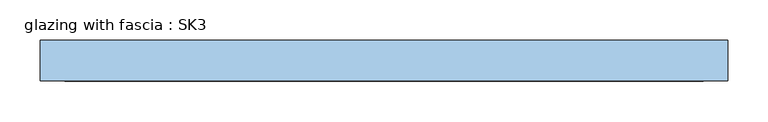
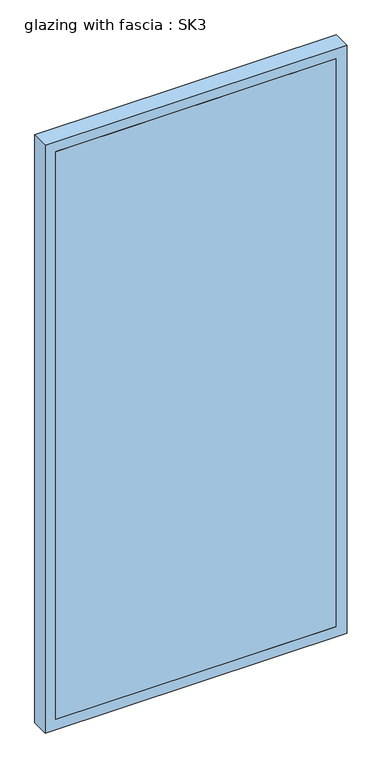
"""IFC4 building model written with IfcOpenShell, lengths in millimetres: window geometry, glazing with fascia : SK3."""

from ifc_helpers import new_model, si_unit, frame, origin, place, context, project, spatial, polyline, outline, extrude, source, transform, mapped, element, save


def glazing_with_fascia_sk3_896941ae(model_context):
    return source(origin(), model_context, "Body", "SweptSolid", [
        extrude(outline(polyline([(395.0, 0.1334055), (-395.0, 0.1334055), (-395.0, 8.1334055), (395.0, 8.1334055), (395.0, 0.1334055)])), frame((0.0, 0.0, 30.0), z_axis=(0.0, 0.0, 1.0), x_axis=(1.0, 0.0, 0.0)), (0.0, 0.0, 1.0), 1690.0),
        extrude(outline(polyline([(1750.0, -425.0), (0.0, -425.0), (0.0, 425.0), (1750.0, 425.0), (1750.0, -425.0)]), holes=[polyline([(1720.0, -395.0), (1720.0, 395.0), (30.0, 395.0), (30.0, -395.0), (1720.0, -395.0)])]), frame((0.0, 0.0, 0.0), z_axis=(0.0, 1.0, 0.0), x_axis=(0.0, 0.0, 1.0)), (0.0, 0.0, 1.0), 50.0),
        extrude(outline(polyline([(-395.0, 48.1334055), (395.0, 48.1334055), (395.0, 8.1334055), (-395.0, 8.1334055), (-395.0, 48.1334055)])), frame((0.0, 0.0, 1580.4), z_axis=(0.0, 0.0, 1.0), x_axis=(1.0, 0.0, 0.0)), (0.0, 0.0, 1.0), 30.0),
        extrude(outline(polyline([(-395.0, 48.1334055), (395.0, 48.1334055), (395.0, 8.1334055), (-395.0, 8.1334055), (-395.0, 48.1334055)])), frame((0.0, 0.0, 1490.4), z_axis=(0.0, 0.0, 1.0), x_axis=(1.0, 0.0, 0.0)), (0.0, 0.0, 1.0), 30.0),
        extrude(outline(polyline([(-395.0, 48.1334055), (395.0, 48.1334055), (395.0, 8.1334055), (-395.0, 8.1334055), (-395.0, 48.1334055)])), frame((0.0, 0.0, 1400.4), z_axis=(0.0, 0.0, 1.0), x_axis=(1.0, 0.0, 0.0)), (0.0, 0.0, 1.0), 30.0),
        extrude(outline(polyline([(-395.0, 48.1334055), (395.0, 48.1334055), (395.0, 8.1334055), (-395.0, 8.1334055), (-395.0, 48.1334055)])), frame((0.0, 0.0, 1310.4), z_axis=(0.0, 0.0, 1.0), x_axis=(1.0, 0.0, 0.0)), (0.0, 0.0, 1.0), 30.0),
        extrude(outline(polyline([(-395.0, 48.1334055), (395.0, 48.1334055), (395.0, 8.1334055), (-395.0, 8.1334055), (-395.0, 48.1334055)])), frame((0.0, 0.0, 1220.4), z_axis=(0.0, 0.0, 1.0), x_axis=(1.0, 0.0, 0.0)), (0.0, 0.0, 1.0), 30.0),
        extrude(outline(polyline([(-395.0, 48.1334055), (395.0, 48.1334055), (395.0, 8.1334055), (-395.0, 8.1334055), (-395.0, 48.1334055)])), frame((0.0, 0.0, 1130.4), z_axis=(0.0, 0.0, 1.0), x_axis=(1.0, 0.0, 0.0)), (0.0, 0.0, 1.0), 30.0),
        extrude(outline(polyline([(-395.0, 48.1334055), (395.0, 48.1334055), (395.0, 8.1334055), (-395.0, 8.1334055), (-395.0, 48.1334055)])), frame((0.0, 0.0, 1040.4), z_axis=(0.0, 0.0, 1.0), x_axis=(1.0, 0.0, 0.0)), (0.0, 0.0, 1.0), 30.0),
        extrude(outline(polyline([(-395.0, 48.1334055), (395.0, 48.1334055), (395.0, 8.1334055), (-395.0, 8.1334055), (-395.0, 48.1334055)])), frame((0.0, 0.0, 950.4), z_axis=(0.0, 0.0, 1.0), x_axis=(1.0, 0.0, 0.0)), (0.0, 0.0, 1.0), 30.0),
        extrude(outline(polyline([(-395.0, 48.1334055), (395.0, 48.1334055), (395.0, 8.1334055), (-395.0, 8.1334055), (-395.0, 48.1334055)])), frame((0.0, 0.0, 860.4), z_axis=(0.0, 0.0, 1.0), x_axis=(1.0, 0.0, 0.0)), (0.0, 0.0, 1.0), 30.0),
        extrude(outline(polyline([(-395.0, 48.1334055), (395.0, 48.1334055), (395.0, 8.1334055), (-395.0, 8.1334055), (-395.0, 48.1334055)])), frame((0.0, 0.0, 770.4), z_axis=(0.0, 0.0, 1.0), x_axis=(1.0, 0.0, 0.0)), (0.0, 0.0, 1.0), 30.0),
        extrude(outline(polyline([(-395.0, 48.1334055), (395.0, 48.1334055), (395.0, 8.1334055), (-395.0, 8.1334055), (-395.0, 48.1334055)])), frame((0.0, 0.0, 680.4), z_axis=(0.0, 0.0, 1.0), x_axis=(1.0, 0.0, 0.0)), (0.0, 0.0, 1.0), 30.0),
        extrude(outline(polyline([(-395.0, 48.1334055), (395.0, 48.1334055), (395.0, 8.1334055), (-395.0, 8.1334055), (-395.0, 48.1334055)])), frame((0.0, 0.0, 590.4), z_axis=(0.0, 0.0, 1.0), x_axis=(1.0, 0.0, 0.0)), (0.0, 0.0, 1.0), 30.0),
        extrude(outline(polyline([(-395.0, 48.1334055), (395.0, 48.1334055), (395.0, 8.1334055), (-395.0, 8.1334055), (-395.0, 48.1334055)])), frame((0.0, 0.0, 500.4), z_axis=(0.0, 0.0, 1.0), x_axis=(1.0, 0.0, 0.0)), (0.0, 0.0, 1.0), 30.0),
        extrude(outline(polyline([(-395.0, 48.1334055), (395.0, 48.1334055), (395.0, 8.1334055), (-395.0, 8.1334055), (-395.0, 48.1334055)])), frame((0.0, 0.0, 410.4), z_axis=(0.0, 0.0, 1.0), x_axis=(1.0, 0.0, 0.0)), (0.0, 0.0, 1.0), 30.0),
        extrude(outline(polyline([(-395.0, 48.1334055), (395.0, 48.1334055), (395.0, 8.1334055), (-395.0, 8.1334055), (-395.0, 48.1334055)])), frame((0.0, 0.0, 320.4), z_axis=(0.0, 0.0, 1.0), x_axis=(1.0, 0.0, 0.0)), (0.0, 0.0, 1.0), 30.0),
        extrude(outline(polyline([(-395.0, 48.1334055), (395.0, 48.1334055), (395.0, 8.1334055), (-395.0, 8.1334055), (-395.0, 48.1334055)])), frame((0.0, 0.0, 230.4), z_axis=(0.0, 0.0, 1.0), x_axis=(1.0, 0.0, 0.0)), (0.0, 0.0, 1.0), 30.0),
        extrude(outline(polyline([(-395.0, 48.1334055), (395.0, 48.1334055), (395.0, 8.1334055), (-395.0, 8.1334055), (-395.0, 48.1334055)])), frame((0.0, 0.0, 140.4), z_axis=(0.0, 0.0, 1.0), x_axis=(1.0, 0.0, 0.0)), (0.0, 0.0, 1.0), 30.0),
        extrude(outline(polyline([(-395.0, 48.1334055), (395.0, 48.1334055), (395.0, 8.1334055), (-395.0, 8.1334055), (-395.0, 48.1334055)])), frame((0.0, 0.0, 50.4), z_axis=(0.0, 0.0, 1.0), x_axis=(1.0, 0.0, 0.0)), (0.0, 0.0, 1.0), 30.0),
        extrude(outline(polyline([(-395.0, 48.1334055), (395.0, 48.1334055), (395.0, 8.1334055), (-395.0, 8.1334055), (-395.0, 48.1334055)])), frame((0.0, 0.0, 1670.0), z_axis=(0.0, 0.0, 1.0), x_axis=(1.0, 0.0, 0.0)), (0.0, 0.0, 1.0), 30.0),
    ])


if __name__ == "__main__":
    model = new_model("IFC4")
    model_context = context("Model", 3, world=origin())
    ifc_project = project(units=[si_unit("LENGTHUNIT", "METRE", prefix="MILLI")], contexts=[model_context])
    site = spatial("IfcSite", under=ifc_project)
    building = spatial("IfcBuilding", under=site)
    placement = place(None, origin())
    glazing_with_fascia_sk3_shape = glazing_with_fascia_sk3_896941ae(model_context)
    element("IfcWindow", 1, ObjectType="glazing with fascia : SK3", at=placement, inside=building, context=model_context, shape_type="MappedRepresentation", body=[
        mapped(glazing_with_fascia_sk3_shape, transform((0.0, 0.0, 0.0), x_axis=(1.0, 0.0, 0.0), y_axis=(0.0, 1.0, 0.0), z_axis=(0.0, 0.0, 1.0))),
    ])
    save(model, "model.ifc")
